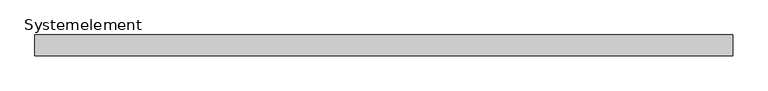
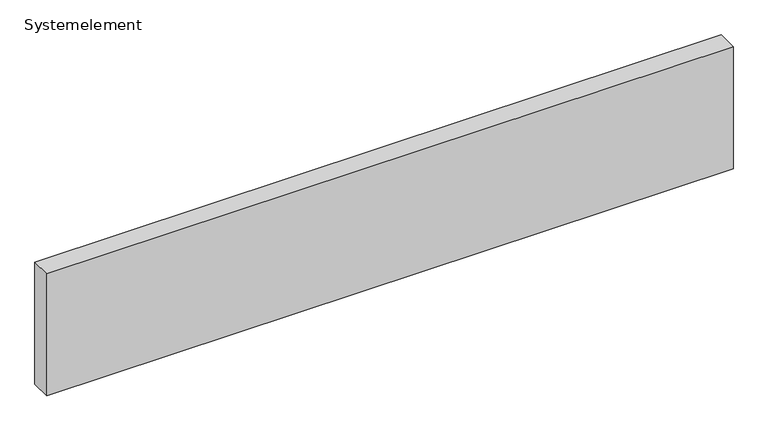
"""IFC4 building model written with IfcOpenShell, lengths in millimetres: plate geometry, Systemelement."""

from ifc_helpers import new_model, si_unit, origin, origin_with_axes, place, context, project, spatial, polyline, outline, extrude, source, transform, mapped, element, save


def systemelement_2da2ffeb(model_context):
    return source(origin(), model_context, "Body", "SweptSolid", [
        extrude(outline(polyline([(2000.0, -120.0), (-2000.0, -120.0), (-2000.0, 0.0), (2000.0, 0.0), (2000.0, -120.0)])), origin_with_axes(), (0.0, 0.0, 1.0), 751.6147161),
    ])


if __name__ == "__main__":
    model = new_model("IFC4")
    model_context = context("Model", 3, world=origin())
    ifc_project = project(units=[si_unit("LENGTHUNIT", "METRE", prefix="MILLI")], contexts=[model_context])
    site = spatial("IfcSite", under=ifc_project)
    building = spatial("IfcBuilding", under=site)
    placement = place(None, origin())
    systemelement_shape = systemelement_2da2ffeb(model_context)
    element("IfcPlate", 1, ObjectType="Systemelement", at=placement, inside=building, context=model_context, shape_type="MappedRepresentation", body=[
        mapped(systemelement_shape, transform((0.0, 0.0, 0.0), x_axis=(1.0, 0.0, 0.0), y_axis=(0.0, 1.0, 0.0), z_axis=(0.0, 0.0, 1.0))),
    ])
    save(model, "model.ifc")
